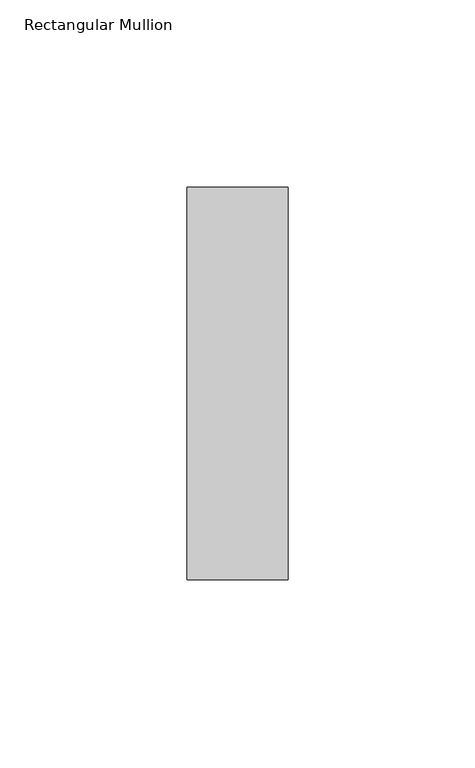
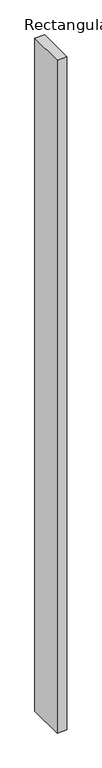
"""IFC4 building model written with IfcOpenShell, lengths in millimetres: member geometry, Rectangular Mullion."""

from ifc_helpers import new_model, si_unit, frame, origin, place, context, project, spatial, polyline, outline, extrude, source, transform, mapped, element, save


def rectangular_mullion_f8d001d5(model_context):
    return source(origin(), model_context, "Body", "SweptSolid", [
        extrude(outline(polyline([(-27.0, 52.3975), (0.0, 52.3975), (0.0, -52.3975), (-27.0, -52.3975), (-27.0, 52.3975)])), frame((0.0, 0.0, -1946.0), z_axis=(0.0, 0.0, 1.0), x_axis=(1.0, 0.0, 0.0)), (0.0, 0.0, 1.0), 1946.0),
    ])


if __name__ == "__main__":
    model = new_model("IFC4")
    model_context = context("Model", 3, world=origin())
    ifc_project = project(units=[si_unit("LENGTHUNIT", "METRE", prefix="MILLI")], contexts=[model_context])
    site = spatial("IfcSite", under=ifc_project)
    building = spatial("IfcBuilding", under=site)
    placement = place(None, origin())
    rectangular_mullion_shape = rectangular_mullion_f8d001d5(model_context)
    element("IfcMember", 1, ObjectType="Rectangular Mullion", at=placement, inside=building, context=model_context, shape_type="MappedRepresentation", body=[
        mapped(rectangular_mullion_shape, transform((0.0, 0.0, 0.0), x_axis=(1.0, 0.0, 0.0), y_axis=(0.0, 1.0, 0.0), z_axis=(0.0, 0.0, 1.0))),
    ])
    save(model, "model.ifc")
